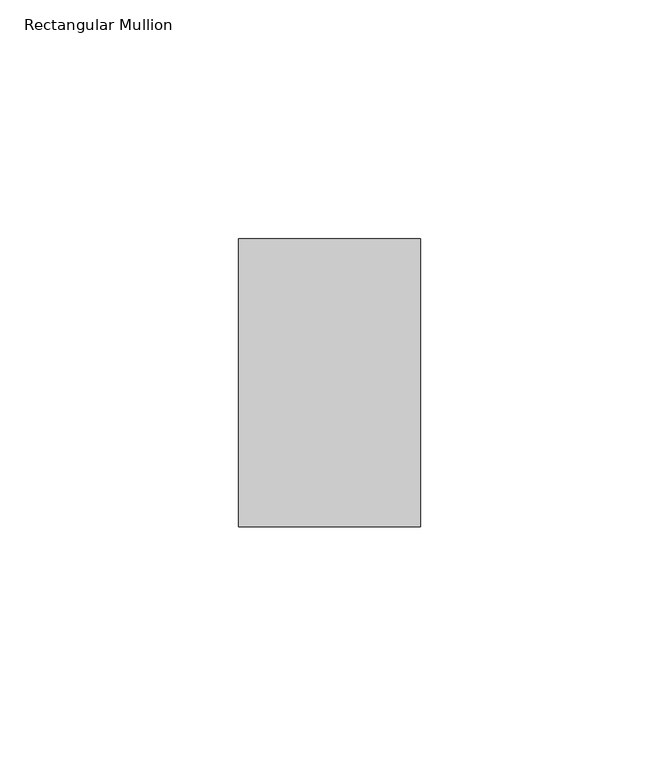
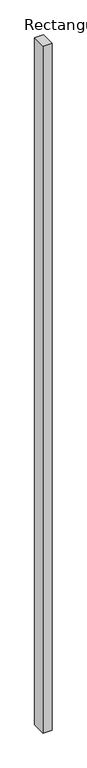
"""IFC4 building model written with IfcOpenShell, lengths in millimetres: member geometry, Rectangular Mullion."""

from ifc_helpers import new_model, si_unit, frame, origin, place, context, project, spatial, polyline, outline, extrude, source, transform, mapped, element, save


def rectangular_mullion_882e5299(model_context):
    return source(origin(), model_context, "Body", "SweptSolid", [
        extrude(outline(polyline([(0.0, 50.8), (0.0, -9.525), (-38.1, -9.525), (-38.1, 50.8), (0.0, 50.8)])), frame((0.0, 0.0, -3048.0), z_axis=(0.0, 0.0, 1.0), x_axis=(1.0, 0.0, 0.0)), (0.0, 0.0, 1.0), 3048.0),
    ])


if __name__ == "__main__":
    model = new_model("IFC4")
    model_context = context("Model", 3, world=origin())
    ifc_project = project(units=[si_unit("LENGTHUNIT", "METRE", prefix="MILLI")], contexts=[model_context])
    site = spatial("IfcSite", under=ifc_project)
    building = spatial("IfcBuilding", under=site)
    placement = place(None, origin())
    rectangular_mullion_shape = rectangular_mullion_882e5299(model_context)
    element("IfcMember", 1, ObjectType="Rectangular Mullion", at=placement, inside=building, context=model_context, shape_type="MappedRepresentation", body=[
        mapped(rectangular_mullion_shape, transform((0.0, 0.0, 0.0), x_axis=(1.0, 0.0, 0.0), y_axis=(0.0, 1.0, 0.0), z_axis=(0.0, 0.0, 1.0))),
    ])
    save(model, "model.ifc")
